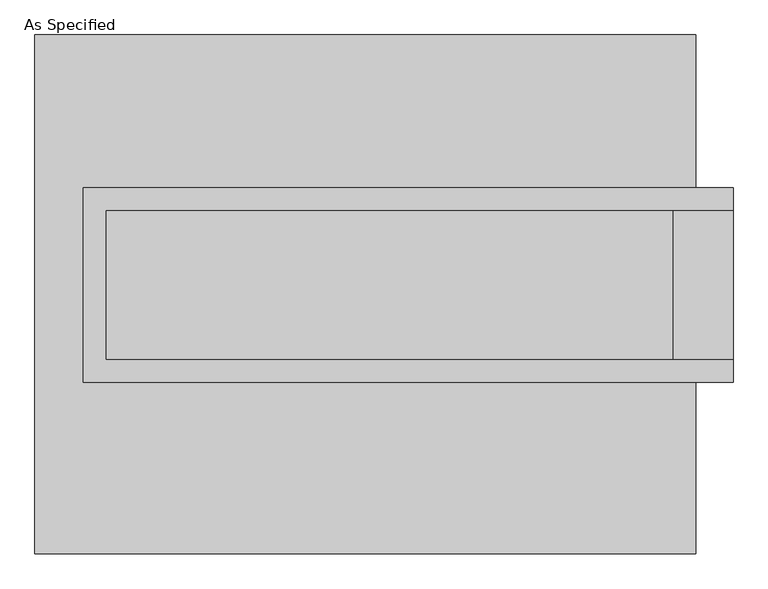
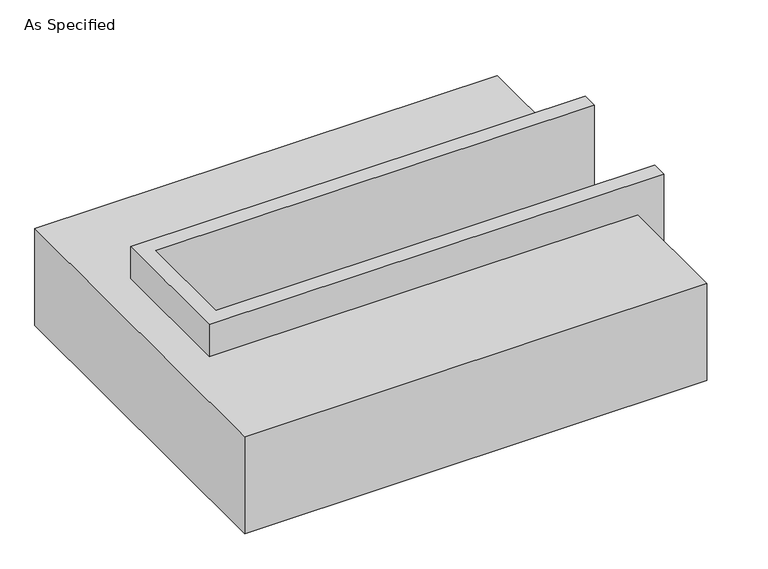
"""IFC4 building model written with IfcOpenShell, lengths in millimetres: proxy geometry, As Specified."""

from ifc_helpers import new_model, si_unit, origin, place, context, project, spatial, faceted_brep, source, transform, mapped, element, save


def as_specified_737b9d79(model_context):
    return source(origin(), model_context, "Body", "Brep", [
        faceted_brep([(-958.85, 361.95, 139.7), (-958.85, 361.95, -393.7), (-958.85, 285.75, -393.7), (-958.85, 285.75, -25.4), (-958.85, -222.25, -25.4), (-958.85, -222.25, -393.7), (-958.85, -298.45, -393.7), (-958.85, -298.45, 139.7), (1250.95, 285.75, 139.7), (1250.95, 285.75, -317.5), (1250.95, -222.25, -317.5), (1250.95, -222.25, 139.7), (1250.95, -298.45, 139.7), (1250.95, -298.45, -393.7), (1250.95, 361.95, -393.7), (1250.95, 361.95, 139.7), (-882.65, -222.25, 139.7), (-882.65, 285.75, 139.7), (1047.75, -222.25, -393.7), (1047.75, 285.75, -393.7), (1047.75, -222.25, -317.5), (-882.65, -222.25, -25.4), (1047.75, 285.75, -317.5), (-882.65, 285.75, -25.4)], [[[0, 1, 2, 3, 4, 5, 6, 7]], [[8, 9, 10, 11, 12, 13, 14, 15]], [[0, 7, 12, 11, 16, 17, 8, 15]], [[1, 0, 15, 14]], [[14, 13, 6, 5, 18, 19, 2, 1]], [[7, 6, 13, 12]], [[11, 10, 20, 18, 5, 4, 21, 16]], [[10, 9, 22, 20]], [[9, 8, 17, 23, 3, 2, 19, 22]], [[18, 20, 22, 19]], [[23, 21, 4, 3]], [[17, 16, 21, 23]]]),
        faceted_brep([(-1123.95, 882.65, -523.9742188), (1123.95, 882.65, -523.9742188), (1123.95, -882.65, -523.9742188), (-1123.95, -882.65, -523.9742188), (1123.95, 882.65, -25.4), (-1123.95, 882.65, -25.4), (-1123.95, -882.65, -25.4), (1123.95, -882.65, -25.4), (1123.95, -298.45, -25.4), (-958.85, -298.45, -25.4), (-958.85, 361.95, -25.4), (1123.95, 361.95, -25.4), (1123.95, 361.95, -393.7), (1123.95, -298.45, -393.7), (-958.85, -298.45, -393.7), (-958.85, 361.95, -393.7)], [[[0, 1, 2, 3]], [[4, 5, 6, 7, 8, 9, 10, 11]], [[1, 0, 5, 4]], [[5, 0, 3, 6]], [[1, 4, 11, 12, 13, 8, 7, 2]], [[3, 2, 7, 6]], [[14, 15, 10, 9]], [[10, 15, 12, 11]], [[15, 14, 13, 12]], [[14, 9, 8, 13]]]),
    ])


if __name__ == "__main__":
    model = new_model("IFC4")
    model_context = context("Model", 3, world=origin())
    ifc_project = project(units=[si_unit("LENGTHUNIT", "METRE", prefix="MILLI")], contexts=[model_context])
    site = spatial("IfcSite", under=ifc_project)
    building = spatial("IfcBuilding", under=site)
    placement = place(None, origin())
    as_specified_shape = as_specified_737b9d79(model_context)
    element("IfcBuildingElementProxy", 1, Name="As Specified", ObjectType="As Specified", at=placement, inside=building, context=model_context, shape_type="MappedRepresentation", body=[
        mapped(as_specified_shape, transform((0.0, 0.0, 0.0), x_axis=(1.0, 0.0, 0.0), y_axis=(0.0, 1.0, 0.0), z_axis=(0.0, 0.0, 1.0))),
    ])
    save(model, "model.ifc")
